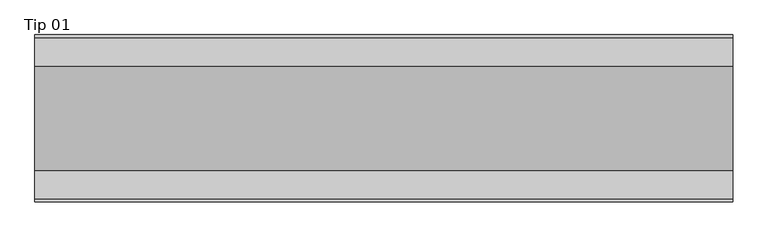
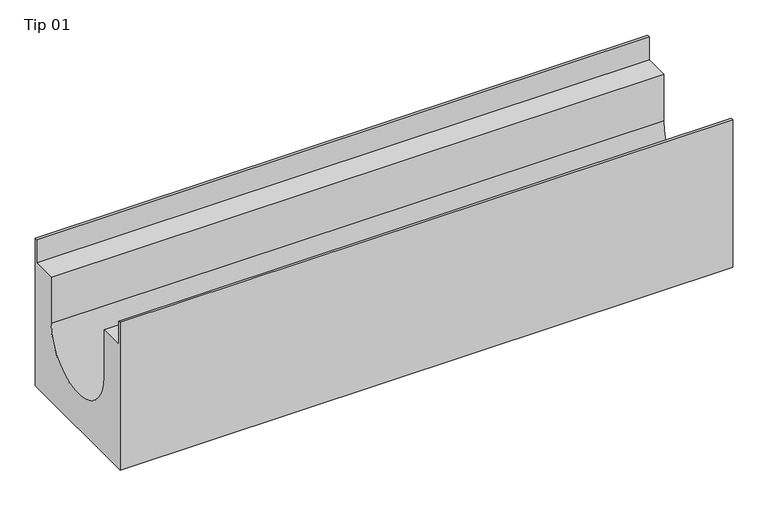
"""IFC4 building model written with IfcOpenShell, lengths in millimetres: proxy geometry, Tip 01."""

from ifc_helpers import new_model, si_unit, point, frame, frame_2d, origin, place, context, project, spatial, polyline, circle_curve, trimmed, segment, composite_curve, outline, extrude, source, transform, mapped, element, save


def tip_01_7b3abf3f(model_context):
    return source(origin(), model_context, "Body", "SweptSolid", [
        extrude(outline(composite_curve([segment(polyline([(-120.0, -255.0), (-120.0, 0.0), (-116.0, 0.0), (-116.0, -40.0), (-75.0, -40.0), (-75.0, -120.0)]), True, "CONTINUOUS"), segment(trimmed(circle_curve(frame_2d((0.0, -120.0)), 75.0), [point((-75.0, -120.0))], [point((75.0, -120.0))], True, "CARTESIAN"), True, "CONTINUOUS"), segment(polyline([(75.0, -120.0), (75.0, -40.0), (116.0, -40.0), (116.0, 0.0), (120.0, 0.0), (120.0, -255.0), (-120.0, -255.0)]), True, "CONTINUOUS")], self_intersect=False)), frame((0.0, 0.0, 0.0), z_axis=(1.0, 0.0, 0.0), x_axis=(0.0, 1.0, 0.0)), (0.0, 0.0, 1.0), 1000.0),
    ])


if __name__ == "__main__":
    model = new_model("IFC4")
    model_context = context("Model", 3, world=origin())
    ifc_project = project(units=[si_unit("LENGTHUNIT", "METRE", prefix="MILLI")], contexts=[model_context])
    site = spatial("IfcSite", under=ifc_project)
    building = spatial("IfcBuilding", under=site)
    placement = place(None, origin())
    tip_01_shape = tip_01_7b3abf3f(model_context)
    element("IfcBuildingElementProxy", 1, Name="Tip 01", ObjectType="Tip 01", at=placement, inside=building, context=model_context, shape_type="MappedRepresentation", body=[
        mapped(tip_01_shape, transform((0.0, 0.0, 0.0), x_axis=(1.0, 0.0, 0.0), y_axis=(0.0, 1.0, 0.0), z_axis=(0.0, 0.0, 1.0))),
    ])
    save(model, "model.ifc")
